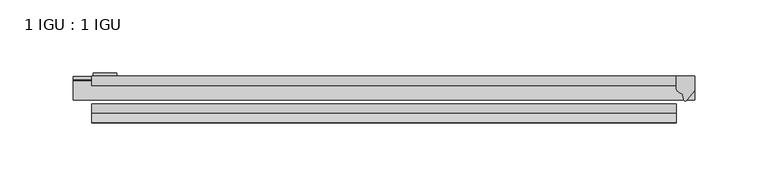
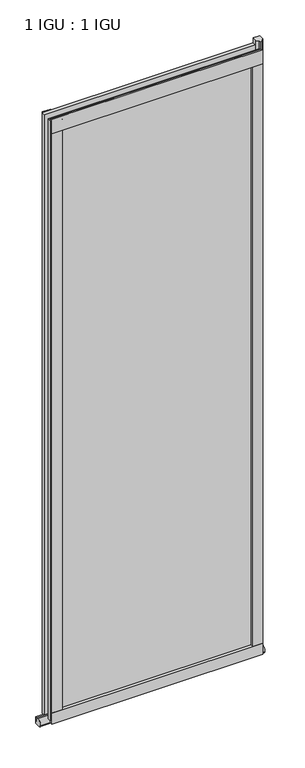
"""IFC4 building model written with IfcOpenShell, lengths in millimetres: plate geometry, 1 IGU : 1 IGU."""

import ifcopenshell
import ifcopenshell.guid

model = None  # the IFC model being written
_history = None  # IfcOwnerHistory: only IFC2X3 demands one
_inside = {}  # id of a spatial element -> (the spatial element, [elements in it])
_under = {}  # id of a project, library or spatial element -> (it, [spatial elements below it])
_declared = {}  # id of a project -> (the project, [libraries it declares])
_typed = {}  # id of a type object -> (the type object, [elements of that type])
_made_of = {}  # id of a material, layer set ... -> (it, [elements and type objects made of it])


def new_model(schema):
    """Start an empty IFC model of exactly this schema.

    Asked for "IFC4X3", IfcOpenShell would pick the latest addendum, in which some entities
    have other attributes; the version numbers below select the first issue.
    IFC2X3 requires an IfcOwnerHistory on every rooted entity: one is made here for all.
    """
    global model, _history
    if schema == "IFC4X3":
        model = ifcopenshell.file(schema_version=(4, 3, 0, 0))
    else:
        model = ifcopenshell.file(schema=schema)
    _inside.clear()
    _under.clear()
    _declared.clear()
    _typed.clear()
    _made_of.clear()
    _history = None
    if model.schema == "IFC2X3":
        org = make("IfcOrganization", Name="unknown")
        user = make(
            "IfcPersonAndOrganization",
            ThePerson=make("IfcPerson", FamilyName="unknown"),
            TheOrganization=org,
        )
        app = make(
            "IfcApplication",
            ApplicationDeveloper=org,
            Version="unknown",
            ApplicationFullName="unknown",
            ApplicationIdentifier="unknown",
        )
        _history = make(
            "IfcOwnerHistory",
            OwningUser=user,
            OwningApplication=app,
            ChangeAction="ADDED",
            CreationDate=0,
        )
    return model


def make(cls, **values):
    """One entity of the class cls with the attributes given. An attribute that is None is left unset."""
    return model.create_entity(
        cls, **{name: value for name, value in values.items() if value is not None}
    )


def rooted(cls, **values):
    """An entity with a GlobalId (a new one), such as an element, a storey or a relation."""
    return make(cls, GlobalId=ifcopenshell.guid.new(), OwnerHistory=_history, **values)


def si_unit(unit_type, name, prefix=None):
    """IfcSIUnit, for example si_unit("LENGTHUNIT", "METRE", prefix="MILLI")."""
    return make("IfcSIUnit", UnitType=unit_type, Prefix=prefix, Name=name)


def assignment(units):
    """IfcUnitAssignment: the units of a project."""
    return None if units is None else make("IfcUnitAssignment", Units=units)


def point(xyz):
    """IfcCartesianPoint."""
    return None if xyz is None else make("IfcCartesianPoint", Coordinates=xyz)


def direction(xyz):
    """IfcDirection."""
    return None if xyz is None else make("IfcDirection", DirectionRatios=xyz)


def frame(location, z_axis=None, x_axis=None):
    """IfcAxis2Placement3D, a coordinate frame: its origin and axes. An axis left out is left unset."""
    return make(
        "IfcAxis2Placement3D",
        Location=point(location),
        Axis=direction(z_axis),
        RefDirection=direction(x_axis),
    )


def frame_2d(location, x_axis=None):
    """IfcAxis2Placement2D, a coordinate frame in the plane: its origin and x axis."""
    return make(
        "IfcAxis2Placement2D", Location=point(location), RefDirection=direction(x_axis)
    )


def origin():
    """The frame at (0, 0, 0) with its axes left unset."""
    return frame((0.0, 0.0, 0.0))


def place(relative_to, where):
    """IfcLocalPlacement: puts the frame where relative to a parent placement (None: the world)."""
    return make(
        "IfcLocalPlacement", PlacementRelTo=relative_to, RelativePlacement=where
    )


def context(
    kind, dimensions, precision=None, world=None, true_north=None, identifier=None
):
    """IfcGeometricRepresentationContext, for example the 3D "Model" context."""
    return make(
        "IfcGeometricRepresentationContext",
        ContextIdentifier=identifier,
        ContextType=kind,
        CoordinateSpaceDimension=dimensions,
        Precision=precision,
        WorldCoordinateSystem=world,
        TrueNorth=true_north,
    )


def project(units=None, contexts=None):
    """IfcProject with its units and contexts."""
    return rooted(
        "IfcProject",
        Name="project",
        RepresentationContexts=contexts,
        UnitsInContext=assignment(units),
    )


def spatial(cls, under=None, at=None, **own):
    """A site, building, storey or space (cls), placed at a placement, below another one or the project."""
    s = rooted(cls, ObjectPlacement=at, **own)
    if under is not None:
        _under.setdefault(under.id(), (under, []))[1].append(s)
    return s


def polyline(points):
    """IfcPolyline through the points."""
    return make("IfcPolyline", Points=[point(p) for p in points])


def circle_curve(where, radius):
    """IfcCircle in the frame where."""
    return make("IfcCircle", Position=where, Radius=radius)


def ellipse_curve(where, semi_axis1, semi_axis2):
    """IfcEllipse in the frame where."""
    return make(
        "IfcEllipse", Position=where, SemiAxis1=semi_axis1, SemiAxis2=semi_axis2
    )


def trimmed(basis, trim1, trim2, sense, master):
    """IfcTrimmedCurve: the piece of a basis curve between two trims."""
    return make(
        "IfcTrimmedCurve",
        BasisCurve=basis,
        Trim1=trim1,
        Trim2=trim2,
        SenseAgreement=sense,
        MasterRepresentation=master,
    )


def segment(curve, same_sense, transition):
    """IfcCompositeCurveSegment."""
    return make(
        "IfcCompositeCurveSegment",
        Transition=transition,
        SameSense=same_sense,
        ParentCurve=curve,
    )


def composite_curve(segments, self_intersect=None):
    """IfcCompositeCurve: segments joined end to end."""
    return make("IfcCompositeCurve", Segments=segments, SelfIntersect=self_intersect)


def outline(outer, holes=None, kind="AREA"):
    """IfcArbitraryClosedProfileDef: a profile drawn as a closed curve; with holes, ...WithVoids."""
    if holes is None:
        return make("IfcArbitraryClosedProfileDef", ProfileType=kind, OuterCurve=outer)
    return make(
        "IfcArbitraryProfileDefWithVoids",
        ProfileType=kind,
        OuterCurve=outer,
        InnerCurves=holes,
    )


def extrude(swept, where, along, depth):
    """IfcExtrudedAreaSolid: the profile swept, set in the frame where, extruded along a direction by depth."""
    return make(
        "IfcExtrudedAreaSolid",
        SweptArea=swept,
        Position=where,
        ExtrudedDirection=direction(along),
        Depth=depth,
    )


def shape(context_of_items, identifier, shape_type, items):
    """IfcShapeRepresentation: the items that make up one representation, for example the "Body"."""
    return make(
        "IfcShapeRepresentation",
        ContextOfItems=context_of_items,
        RepresentationIdentifier=identifier,
        RepresentationType=shape_type,
        Items=items,
    )


def source(mapping_origin, context_of_items, identifier, shape_type, items):
    """IfcRepresentationMap: a shape defined once, which mapped items show again and again."""
    return make(
        "IfcRepresentationMap",
        MappingOrigin=mapping_origin,
        MappedRepresentation=shape(context_of_items, identifier, shape_type, items),
    )


def transform(
    local_origin,
    x_axis=None,
    y_axis=None,
    z_axis=None,
    scale=None,
    scale2=None,
    scale3=None,
    uniform=True,
):
    """IfcCartesianTransformationOperator3D, or its non-uniform kind. x_axis, y_axis, z_axis: its Axis1, 2, 3."""
    if uniform:
        return make(
            "IfcCartesianTransformationOperator3D",
            Axis1=direction(x_axis),
            Axis2=direction(y_axis),
            LocalOrigin=point(local_origin),
            Scale=scale,
            Axis3=direction(z_axis),
        )
    return make(
        "IfcCartesianTransformationOperator3DnonUniform",
        Axis1=direction(x_axis),
        Axis2=direction(y_axis),
        LocalOrigin=point(local_origin),
        Scale=scale,
        Axis3=direction(z_axis),
        Scale2=scale2,
        Scale3=scale3,
    )


def mapped(mapping_source, mapping_target):
    """IfcMappedItem: shows the shape of a source again, moved by a transform."""
    return make(
        "IfcMappedItem", MappingSource=mapping_source, MappingTarget=mapping_target
    )


def made_of(thing, what):
    """Note that an element or type object is made of a material, layer set ...; save() writes the relation."""
    if what is not None:
        _made_of.setdefault(what.id(), (what, []))[1].append(thing)
    return thing


def element(
    cls,
    number,
    at=None,
    inside=None,
    cuts=None,
    type_object=None,
    material=None,
    context=None,
    identifier="Body",
    shape_type=None,
    held_by="IfcProductDefinitionShape",
    body=None,
    shapes=None,
    **own,
):
    """One element of the class cls, such as IfcWall. Its Tag is "e" and its number.

    at: its placement. inside: the storey or other place that contains it. cuts: it is an
    opening in that element (IfcRelVoidsElement). A single representation is given by context,
    identifier, shape_type and body (its items); several are given by shapes. held_by: the class
    of the entity that holds the representations. save() writes the other relations.
    """
    e = rooted(cls, Tag="e%d" % number, ObjectPlacement=at, **own)
    if body is not None:
        shapes = [shape(context, identifier, shape_type, body)]
    if shapes is not None:
        e.Representation = make(held_by, Representations=shapes)
    if inside is not None:
        _inside.setdefault(inside.id(), (inside, []))[1].append(e)
    if cuts is not None:
        rooted(
            "IfcRelVoidsElement", RelatingBuildingElement=cuts, RelatedOpeningElement=e
        )
    if type_object is not None:
        _typed.setdefault(type_object.id(), (type_object, []))[1].append(e)
    return made_of(e, material)


def aggregate(whole, parts):
    """IfcRelAggregates: a whole, such as a stair, and the parts it consists of."""
    return rooted("IfcRelAggregates", RelatingObject=whole, RelatedObjects=parts)


def save(model, path):
    """Write the relations noted so far, then the file.

    IfcRelAggregates (storeys below a building ...), IfcRelContainedInSpatialStructure (elements
    in a storey), IfcRelDefinesByType, IfcRelAssociatesMaterial and IfcRelDeclares: one each for
    every whole, place, type object, material and project.
    """
    for whole, parts in _under.values():
        aggregate(whole, parts)
    for where, things in _inside.values():
        rooted(
            "IfcRelContainedInSpatialStructure",
            RelatedElements=things,
            RelatingStructure=where,
        )
    for kind, things in _typed.values():
        rooted("IfcRelDefinesByType", RelatedObjects=things, RelatingType=kind)
    for what, things in _made_of.values():
        rooted("IfcRelAssociatesMaterial", RelatedObjects=things, RelatingMaterial=what)
    for by, libraries in _declared.values():
        rooted("IfcRelDeclares", RelatingContext=by, RelatedDefinitions=libraries)
    model.write(path)


def plane_surface(at):
    """IfcPlane: the flat surface through the origin of the frame at, square to its z axis."""
    return make("IfcPlane", Position=at)


def revolved_surface(curve, axis_point, axis_direction):
    """IfcSurfaceOfRevolution: the curve turned about the line through axis_point along axis_direction."""
    return make(
        "IfcSurfaceOfRevolution",
        SweptCurve=make("IfcArbitraryOpenProfileDef", ProfileType="CURVE", Curve=curve),
        AxisPosition=make("IfcAxis1Placement", Location=point(axis_point), Axis=direction(axis_direction)),
    )


def extruded_surface(curve, direction_of_extrusion, depth):
    """IfcSurfaceOfLinearExtrusion: the curve pushed along a direction by depth."""
    return make(
        "IfcSurfaceOfLinearExtrusion",
        SweptCurve=make("IfcArbitraryOpenProfileDef", ProfileType="CURVE", Curve=curve),
        ExtrudedDirection=direction(direction_of_extrusion),
        Depth=depth,
    )


def advanced_brep(points, edges, surfaces, faces):
    """IfcAdvancedBrep: a solid bounded by faces that lie on surfaces and meet in shared edges.

    An edge is (start, end): straight between two places in points (the first is 0);
    or (start, end, curve); or (start, end, curve, False) where it runs against its curve.
    A face is (place in surfaces, loops), or (place, loops, False) where it looks against
    its surface's normal. A loop lists edges by number (the first is 1), with a minus sign
    where the edge is run from its end to its start. The first loop is the outer one.
    """
    corners = [point(p) for p in points]
    vertices = [make("IfcVertexPoint", VertexGeometry=c) for c in corners]
    made = []
    for start, end, *more in edges:
        made.append(
            make(
                "IfcEdgeCurve",
                EdgeStart=vertices[start],
                EdgeEnd=vertices[end],
                EdgeGeometry=more[0] if more else make("IfcPolyline", Points=[corners[start], corners[end]]),
                SameSense=more[1] if len(more) > 1 else True,
            )
        )
    hull = []
    for where, loops, *sense in faces:
        bounds = []
        for j, loop in enumerate(loops):
            ring = [make("IfcOrientedEdge", EdgeElement=made[abs(k) - 1], Orientation=k > 0) for k in loop]
            bounds.append(
                make(
                    "IfcFaceOuterBound" if j == 0 else "IfcFaceBound",
                    Bound=make("IfcEdgeLoop", EdgeList=ring),
                    Orientation=True,
                )
            )
        hull.append(make("IfcAdvancedFace", Bounds=bounds, FaceSurface=surfaces[where], SameSense=sense[0] if sense else True))
    return make("IfcAdvancedBrep", Outer=make("IfcClosedShell", CfsFaces=hull))


def plate_1_igu_1_igu_d1525924(model_context):
    return source(origin(), model_context, "Body", "SolidModel", [
        extrude(outline(polyline([(200.009125, 0.0021347), (200.009125, -6.2992), (-200.009125, -6.2992), (-200.009125, 0.0021347), (200.009125, 0.0021347)])), frame((0.0, 0.0, -19.05), z_axis=(0.0, 0.0, 1.0), x_axis=(1.0, 0.0, 0.0)), (0.0, 0.0, 1.0), 1203.325),
        extrude(outline(polyline([(-200.009125, -19.0986653), (200.009125, -19.0986653), (200.009125, -25.3978653), (-200.009125, -25.3978653), (-200.009125, -19.0986653)])), frame((0.0, 0.0, -19.05), z_axis=(0.0, 0.0, 1.0), x_axis=(1.0, 0.0, 0.0)), (0.0, 0.0, 1.0), 1203.325),
        advanced_brep(
        [(212.709125, -2.9334208, -29.3692082), (212.709125, -15.7658436, -30.8313288), (212.709125, -6.7904952, -34.925), (212.709125, 0.0, -34.925), (212.709125, 0.0, -22.225), (212.709125, -2.5187477, -22.225), (-212.709125, -2.9073519, -29.3720514), (-212.709125, -2.5187477, -22.225), (-212.709125, 0.0, -22.225), (-212.709125, 0.0, -34.925), (-212.709125, -6.7904952, -34.925), (-212.709125, -15.7658436, -30.8313288)],
        [
            (0, 1, ellipse_curve(frame((212.709125, -9.5065066, -28.575), z_axis=(1.0, 0.0, 0.0), x_axis=(0.0, 0.0, -1.0)), 6.9638038, 6.6162554)),
            (1, 2, ellipse_curve(frame((212.709125, -9.5065066, -28.575), z_axis=(1.0, 0.0, 0.0), x_axis=(0.0, 0.0, -1.0)), 6.9638038, 6.6162554)),
            (2, 3),
            (3, 4, circle_curve(frame((212.709125, 24.1576838, -28.575), z_axis=(-1.0, 0.0, 0.0), x_axis=(0.0, 0.0, 1.0)), 24.9783143)),
            (4, 5),
            (5, 0, circle_curve(frame((212.709125, -68.4358767, -22.225), z_axis=(-1.0, 0.0, 0.0), x_axis=(0.0, 0.0, 1.0)), 65.917129)),
            (6, 7, circle_curve(frame((-212.709125, -68.4358767, -22.225), z_axis=(1.0, 0.0, 0.0), x_axis=(0.0, 0.0, 1.0)), 65.917129)),
            (7, 8),
            (8, 9, circle_curve(frame((-212.709125, 24.1576838, -28.575), z_axis=(1.0, 0.0, 0.0), x_axis=(0.0, 0.0, 1.0)), 24.9783143)),
            (9, 10),
            (10, 11, ellipse_curve(frame((-212.709125, -9.5065066, -28.575), z_axis=(-1.0, 0.0, 0.0), x_axis=(0.0, 0.0, -1.0)), 6.9638038, 6.6162554)),
            (11, 6, ellipse_curve(frame((-212.709125, -9.5065066, -28.575), z_axis=(-1.0, 0.0, 0.0), x_axis=(0.0, 0.0, -1.0)), 6.9638038, 6.6162554)),
            (0, 6),
            (11, 1),
            (10, 2),
            (9, 3),
            (8, 4),
            (7, 5),
        ],
        [
            plane_surface(frame((212.709125, 0.0, -28.575), z_axis=(1.0, 0.0, 0.0), x_axis=(0.0, 1.0, 0.0))),
            plane_surface(frame((-212.709125, 0.0, -28.575), z_axis=(-1.0, 0.0, 0.0), x_axis=(0.0, 1.0, 0.0))),
            extruded_surface(trimmed(ellipse_curve(frame((-212.709125, -9.5065066, -28.575), z_axis=(1.0, 0.0, 0.0), x_axis=(0.0, 0.0, -1.0)), 6.9638038, 6.6162554), [point((-212.709125, -2.9334208, -29.3692082))], [point((-212.709125, -15.7658436, -30.8313288))], True, "CARTESIAN"), (425.41825, 0.0, 0.0), 425.41825),
            extruded_surface(trimmed(ellipse_curve(frame((-212.709125, -9.5065066, -28.575), z_axis=(1.0, 0.0, 0.0), x_axis=(0.0, 0.0, -1.0)), 6.9638038, 6.6162554), [point((-212.709125, -15.7658436, -30.8313288))], [point((-212.709125, -6.7904952, -34.925))], True, "CARTESIAN"), (425.41825, 0.0, 0.0), 425.41825),
            plane_surface(frame((212.709125, -6.7904952, -34.925), z_axis=(0.0, 0.0, -1.0), x_axis=(-1.0, 0.0, 0.0))),
            revolved_surface(polyline([(-212.709125, 24.1576838, -3.5966856999999983), (212.709125, 24.1576838, -3.5966856999999983)]), (212.709125, 24.1576838, -28.575), (-1.0, 0.0, 0.0)),
            plane_surface(frame((212.709125, 0.0, -22.225), z_axis=(0.0, 0.0, 1.0), x_axis=(-1.0, 0.0, 0.0))),
            revolved_surface(polyline([(-212.709125, -68.4358767, 43.692129), (212.709125, -68.4358767, 43.692129)]), (212.709125, -68.4358767, -22.225), (-1.0, 0.0, 0.0)),
        ],
        [
            (0, [[1, 2, 3, 4, 5, 6]]),
            (1, [[7, 8, 9, 10, 11, 12]]),
            (2, [[-1, 13, -12, 14]]),
            (3, [[-2, -14, -11, 15]]),
            (4, [[-3, -15, -10, 16]]),
            (5, [[-4, -16, -9, 17]]),
            (6, [[-5, -17, -8, 18]]),
            (7, [[-6, -18, -7, -13]]),
        ],
    ),
        extrude(outline(composite_curve([segment(polyline([(212.709125, 0.0), (212.709125, -9.7395025), (207.1428941, -16.3730781)]), True, "CONTINUOUS"), segment(trimmed(circle_curve(frame_2d((206.1892191, -15.7728374)), 1.1268473), [point((207.1428941, -16.3730781))], [point((205.0882662, -16.0130197))], False, "CARTESIAN"), True, "CONTINUOUS"), segment(polyline([(205.0882662, -16.0130197), (204.1080748, -11.7377885)]), True, "CONTINUOUS"), segment(trimmed(circle_curve(frame_2d((203.9806229, -7.7683362)), 3.9714979), [point((204.1080748, -11.7377885))], [point((200.0093036, -7.8060014))], False, "CARTESIAN"), True, "CONTINUOUS"), segment(polyline([(200.0093036, -7.8060014), (200.0093036, 0.0), (212.709125, 0.0)]), True, "CONTINUOUS")], self_intersect=False)), frame((0.0, 0.0, -19.05), z_axis=(0.0, 0.0, 1.0), x_axis=(1.0, 0.0, 0.0)), (0.0, 0.0, 1.0), 1213.6374),
        extrude(outline(composite_curve([segment(polyline([(-31.75, 0.0), (-25.4, 0.0), (-25.4, -22.225)]), True, "CONTINUOUS"), segment(trimmed(circle_curve(frame_2d((-28.575, -28.9113452)), 7.4018806), [point((-25.4, -22.225))], [point((-31.75, -22.225))], True, "CARTESIAN"), True, "CONTINUOUS"), segment(polyline([(-31.75, -22.225), (-31.75, 0.0)]), True, "CONTINUOUS")], self_intersect=False)), frame((-200.009125, 0.0, 0.0), z_axis=(1.0, 0.0, 0.0), x_axis=(0.0, 1.0, 0.0)), (0.0, 0.0, 1.0), 400.01825),
        extrude(outline(composite_curve([segment(polyline([(-25.4, 1187.45), (-25.4, 1162.05), (-31.75, 1162.05), (-31.75, 1190.2228973)]), True, "CONTINUOUS"), segment(trimmed(circle_curve(frame_2d((-24.1401272, 1198.9924115)), 11.6109665), [point((-31.75, 1190.2228973))], [point((-25.4, 1187.45))], True, "CARTESIAN"), True, "CONTINUOUS")], self_intersect=False)), frame((-200.009125, 0.0, 0.0), z_axis=(1.0, 0.0, 0.0), x_axis=(0.0, 1.0, 0.0)), (0.0, 0.0, 1.0), 400.01825),
        extrude(outline(composite_curve([segment(polyline([(180.959125, -25.4), (200.009125, -25.4)]), True, "CONTINUOUS"), segment(trimmed(circle_curve(frame_2d((209.4752757, -28.575)), 9.9844196), [point((200.009125, -25.4))], [point((200.009125, -31.75))], True, "CARTESIAN"), True, "CONTINUOUS"), segment(polyline([(200.009125, -31.75), (180.959125, -31.75), (180.959125, -25.4)]), True, "CONTINUOUS")], self_intersect=False)), frame((0.0, 0.0, -19.05), z_axis=(0.0, 0.0, 1.0), x_axis=(1.0, 0.0, 0.0)), (0.0, 0.0, 1.0), 1203.325),
        extrude(outline(composite_curve([segment(trimmed(circle_curve(frame_2d((-209.4752757, -28.575)), 9.9844196), [point((-200.009125, -31.75))], [point((-200.009125, -25.4))], True, "CARTESIAN"), True, "CONTINUOUS"), segment(polyline([(-200.009125, -25.4), (-180.959125, -25.4), (-180.959125, -31.75), (-200.009125, -31.75)]), True, "CONTINUOUS")], self_intersect=False)), frame((0.0, 0.0, -19.05), z_axis=(0.0, 0.0, 1.0), x_axis=(1.0, 0.0, 0.0)), (0.0, 0.0, 1.0), 1203.325),
        extrude(outline(polyline([(-198.802625, 0.0), (-198.802625, 2.286), (-182.927625, 2.286), (-182.927625, 0.0), (-198.802625, 0.0)])), frame((0.0, 0.0, -19.05), z_axis=(0.0, 0.0, 1.0), x_axis=(1.0, 0.0, 0.0)), (0.0, 0.0, 1.0), 1203.325),
    ])


if __name__ == "__main__":
    model = new_model("IFC4")
    model_context = context("Model", 3, world=origin())
    ifc_project = project(units=[si_unit("LENGTHUNIT", "METRE", prefix="MILLI")], contexts=[model_context])
    site = spatial("IfcSite", under=ifc_project)
    building = spatial("IfcBuilding", under=site)
    placement = place(None, origin())
    plate_1_igu_1_igu_shape = plate_1_igu_1_igu_d1525924(model_context)
    element("IfcPlate", 1, ObjectType="1 IGU : 1 IGU", at=placement, inside=building, context=model_context, shape_type="MappedRepresentation", body=[
        mapped(plate_1_igu_1_igu_shape, transform((0.0, 0.0, 0.0), x_axis=(1.0, 0.0, 0.0), y_axis=(0.0, 1.0, 0.0), z_axis=(0.0, 0.0, 1.0))),
    ])
    save(model, "model.ifc")
